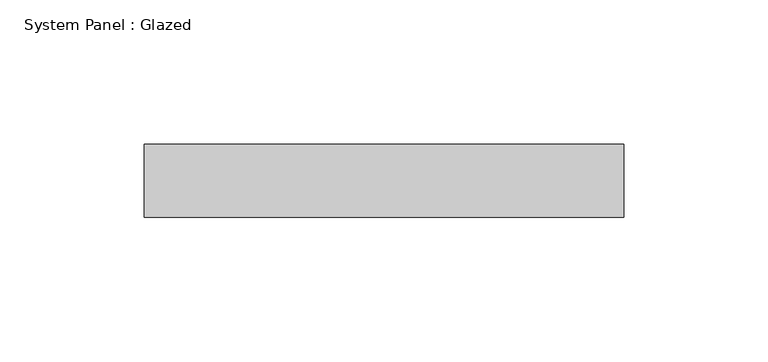
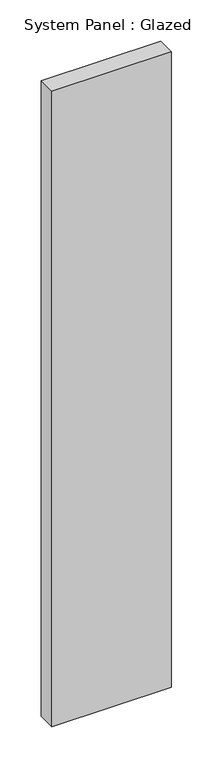
"""IFC4 building model written with IfcOpenShell, lengths in millimetres: plate geometry, System Panel : Glazed."""

from ifc_helpers import new_model, si_unit, origin, origin_with_axes, place, context, project, spatial, polyline, outline, extrude, source, transform, mapped, element, save


def system_panel_glazed_77c431bc(model_context):
    return source(origin(), model_context, "Body", "SweptSolid", [
        extrude(outline(polyline([(83.25, 19.05), (-83.25, 19.05), (-83.25, 44.45), (83.25, 44.45), (83.25, 19.05)])), origin_with_axes(), (0.0, 0.0, 1.0), 936.5),
    ])


if __name__ == "__main__":
    model = new_model("IFC4")
    model_context = context("Model", 3, world=origin())
    ifc_project = project(units=[si_unit("LENGTHUNIT", "METRE", prefix="MILLI")], contexts=[model_context])
    site = spatial("IfcSite", under=ifc_project)
    building = spatial("IfcBuilding", under=site)
    placement = place(None, origin())
    system_panel_glazed_shape = system_panel_glazed_77c431bc(model_context)
    element("IfcPlate", 1, ObjectType="System Panel : Glazed", at=placement, inside=building, context=model_context, shape_type="MappedRepresentation", body=[
        mapped(system_panel_glazed_shape, transform((0.0, 0.0, 0.0), x_axis=(1.0, 0.0, 0.0), y_axis=(0.0, 1.0, 0.0), z_axis=(0.0, 0.0, 1.0))),
    ])
    save(model, "model.ifc")
